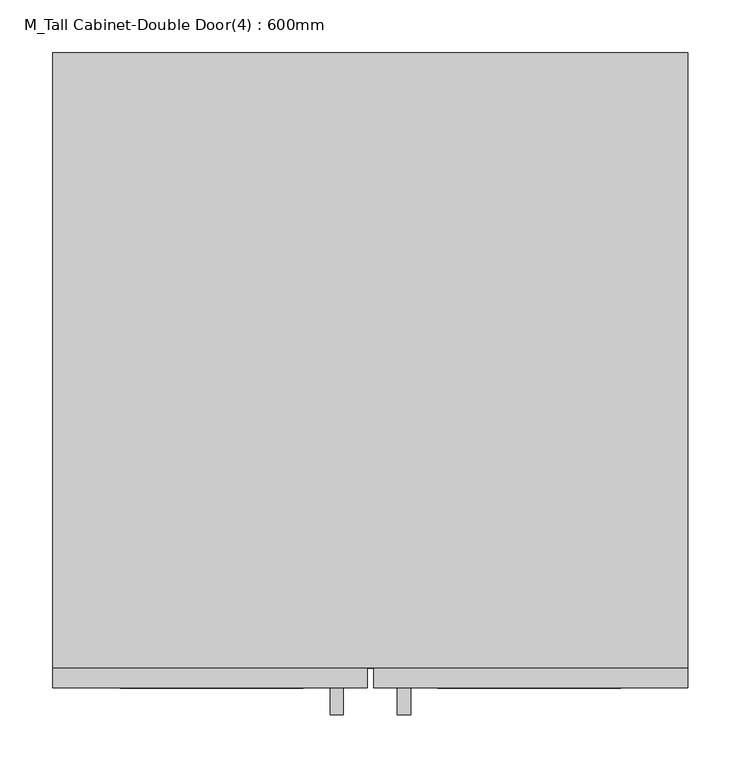
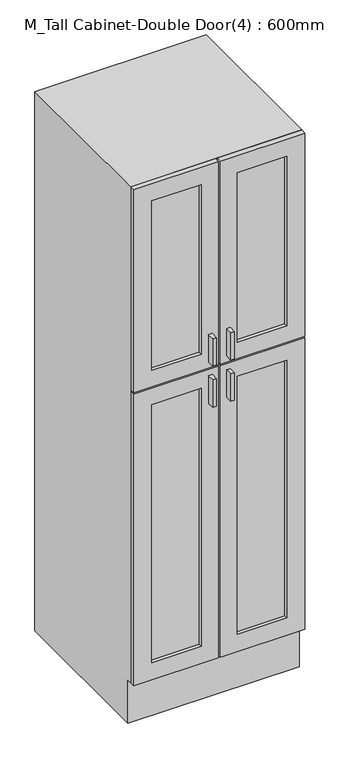
"""IFC4 building model written with IfcOpenShell, lengths in millimetres: furniture geometry, M_Tall Cabinet-Double Door(4) : 600mm."""

from ifc_helpers import new_model, si_unit, frame, origin, place, context, project, spatial, polyline, outline, extrude, faceted_brep, source, transform, mapped, element, save


def m_tall_cabinet_double_door_4_600mm_689764b9(model_context):
    return source(origin(), model_context, "Body", "SolidModel", [
        faceted_brep([(318.7377049, -580.95, 161.5875), (318.7377049, -580.95, 2000.0), (-281.2622951, -580.95, 2000.0), (-281.2622951, -580.95, 161.5875), (299.6877049, -580.95, 1980.95), (299.6877049, -580.95, 180.6375), (-262.2122951, -580.95, 180.6375), (-262.2122951, -580.95, 1980.95), (-281.2622951, 0.0, 2000.0), (318.7377049, 0.0, 2000.0), (318.7377049, 0.0, 1.5875), (-281.2622951, 0.0, 1.5875), (318.7377049, -565.0, 161.5875), (318.7377049, -565.0, 1.5875), (-281.2622951, -565.0, 1.5875), (-281.2622951, -565.0, 161.5875), (299.6877049, -19.05, 1980.95), (299.6877049, -19.05, 180.6375), (-262.2122951, -19.05, 180.6375), (-262.2122951, -19.05, 1980.95)], [[[0, 1, 2, 3], [4, 5, 6, 7]], [[8, 9, 10, 11]], [[1, 0, 12, 13, 10, 9]], [[2, 1, 9, 8]], [[3, 2, 8, 11, 14, 15]], [[0, 3, 15, 12]], [[5, 4, 16, 17]], [[6, 5, 17, 18]], [[7, 6, 18, 19]], [[4, 7, 19, 16]], [[10, 13, 14, 11]], [[14, 13, 12, 15]], [[17, 16, 19, 18]]]),
        extrude(outline(polyline([(-6.6622951, -625.4), (-19.1945267, -625.4), (-19.1945267, -600.0), (-6.6622951, -600.0), (-6.6622951, -625.4)])), frame((0.0, 0.0, 1269.9480367), z_axis=(0.0, 0.0, 1.0), x_axis=(1.0, 0.0, 0.0)), (0.0, 0.0, 1.0), 101.6),
        extrude(outline(polyline([(56.6699365, -625.4), (44.1377049, -625.4), (44.1377049, -600.0), (56.6699365, -600.0), (56.6699365, -625.4)])), frame((0.0, 0.0, 1269.9480367), z_axis=(0.0, 0.0, 1.0), x_axis=(1.0, 0.0, 0.0)), (0.0, 0.0, 1.0), 101.6),
        extrude(outline(polyline([(-6.6622951, -625.4), (-19.1945267, -625.4), (-19.1945267, -600.0), (-6.6622951, -600.0), (-6.6622951, -625.4)])), frame((0.0, 0.0, 1117.5480367), z_axis=(0.0, 0.0, 1.0), x_axis=(1.0, 0.0, 0.0)), (0.0, 0.0, 1.0), 101.6),
        extrude(outline(polyline([(56.6699365, -625.4), (44.1377049, -625.4), (44.1377049, -600.0), (56.6699365, -600.0), (56.6699365, -625.4)])), frame((0.0, 0.0, 1117.5480367), z_axis=(0.0, 0.0, 1.0), x_axis=(1.0, 0.0, 0.0)), (0.0, 0.0, 1.0), 101.6),
        extrude(outline(polyline([(-44.7622951, -587.3), (-217.7622951, -587.3), (-217.7622951, -580.95), (-44.7622951, -580.95), (-44.7622951, -587.3)])), frame((0.0, 0.0, 1308.0480367), z_axis=(0.0, 0.0, 1.0), x_axis=(1.0, 0.0, 0.0)), (0.0, 0.0, 1.0), 628.4519633),
        extrude(outline(polyline([(255.2377049, -587.3), (82.2377049, -587.3), (82.2377049, -580.95), (255.2377049, -580.95), (255.2377049, -587.3)])), frame((0.0, 0.0, 1308.0480367), z_axis=(0.0, 0.0, 1.0), x_axis=(1.0, 0.0, 0.0)), (0.0, 0.0, 1.0), 628.4519633),
        extrude(outline(polyline([(-44.7622951, -587.3), (-217.7622951, -587.3), (-217.7622951, -580.95), (-44.7622951, -580.95), (-44.7622951, -587.3)])), frame((0.0, 0.0, 225.0875), z_axis=(0.0, 0.0, 1.0), x_axis=(1.0, 0.0, 0.0)), (0.0, 0.0, 1.0), 955.9605367),
        extrude(outline(polyline([(255.2377049, -587.3), (82.2377049, -587.3), (82.2377049, -580.95), (255.2377049, -580.95), (255.2377049, -587.3)])), frame((0.0, 0.0, 225.0875), z_axis=(0.0, 0.0, 1.0), x_axis=(1.0, 0.0, 0.0)), (0.0, 0.0, 1.0), 955.9605367),
        extrude(outline(polyline([(2000.0, 15.5627049), (2000.0, -281.2622951), (1247.7230367, -281.2622951), (1247.7230367, 15.5627049), (2000.0, 15.5627049)]), holes=[polyline([(1936.5, -44.7622951), (1308.0480367, -44.7622951), (1308.0480367, -217.7622951), (1936.5, -217.7622951), (1936.5, -44.7622951)])]), frame((0.0, -600.0, 0.0), z_axis=(0.0, 1.0, 0.0), x_axis=(0.0, 0.0, 1.0)), (0.0, 0.0, 1.0), 19.05),
        extrude(outline(polyline([(2000.0, 21.9127049), (1247.7230367, 21.9127049), (1247.7230367, 318.7377049), (2000.0, 318.7377049), (2000.0, 21.9127049)]), holes=[polyline([(1936.5, 255.2377049), (1308.0480367, 255.2377049), (1308.0480367, 82.2377049), (1936.5, 82.2377049), (1936.5, 255.2377049)])]), frame((0.0, -600.0, 0.0), z_axis=(0.0, 1.0, 0.0), x_axis=(0.0, 0.0, 1.0)), (0.0, 0.0, 1.0), 19.05),
        extrude(outline(polyline([(161.5875, 21.9127049), (161.5875, 318.7377049), (1241.3730367, 318.7377049), (1241.3730367, 21.9127049), (161.5875, 21.9127049)]), holes=[polyline([(1181.0480367, 82.2377049), (1181.0480367, 255.2377049), (225.0875, 255.2377049), (225.0875, 82.2377049), (1181.0480367, 82.2377049)])]), frame((0.0, -600.0, 0.0), z_axis=(0.0, 1.0, 0.0), x_axis=(0.0, 0.0, 1.0)), (0.0, 0.0, 1.0), 19.05),
        extrude(outline(polyline([(161.5875, 15.5627049), (1241.3730367, 15.5627049), (1241.3730367, -281.2622951), (161.5875, -281.2622951), (161.5875, 15.5627049)]), holes=[polyline([(1181.0480367, -44.7622951), (225.0875, -44.7622951), (225.0875, -217.7622951), (1181.0480367, -217.7622951), (1181.0480367, -44.7622951)])]), frame((0.0, -600.0, 0.0), z_axis=(0.0, 1.0, 0.0), x_axis=(0.0, 0.0, 1.0)), (0.0, 0.0, 1.0), 19.05),
    ])


if __name__ == "__main__":
    model = new_model("IFC4")
    model_context = context("Model", 3, world=origin())
    ifc_project = project(units=[si_unit("LENGTHUNIT", "METRE", prefix="MILLI")], contexts=[model_context])
    site = spatial("IfcSite", under=ifc_project)
    building = spatial("IfcBuilding", under=site)
    placement = place(None, origin())
    m_tall_cabinet_double_door_4_600mm_shape = m_tall_cabinet_double_door_4_600mm_689764b9(model_context)
    element("IfcFurniture", 1, ObjectType="M_Tall Cabinet-Double Door(4) : 600mm", at=placement, inside=building, context=model_context, shape_type="MappedRepresentation", body=[
        mapped(m_tall_cabinet_double_door_4_600mm_shape, transform((0.0, 0.0, 0.0), x_axis=(1.0, 0.0, 0.0), y_axis=(0.0, 1.0, 0.0), z_axis=(0.0, 0.0, 1.0))),
    ])
    save(model, "model.ifc")
